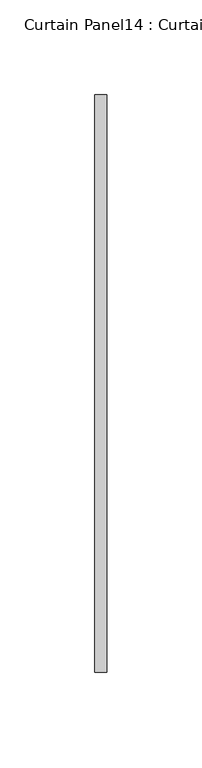
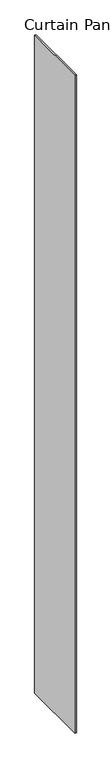
"""IFC4 building model written with IfcOpenShell, lengths in millimetres: plate geometry, Curtain Panel14 : Curtain Panel."""

from ifc_helpers import new_model, si_unit, origin, origin_with_axes, place, context, project, spatial, polyline, outline, extrude, source, transform, mapped, element, save


def curtain_panel14_curtain_panel_48f860df(model_context):
    return source(origin(), model_context, "Body", "SweptSolid", [
        extrude(outline(polyline([(192341.433589, 2017.2357423), (192341.433589, 2322.0357423), (192347.783589, 2322.0357423), (192347.783589, 2017.2357423), (192341.433589, 2017.2357423)])), origin_with_axes(), (0.0, 0.0, 1.0), 3048.0),
    ])


if __name__ == "__main__":
    model = new_model("IFC4")
    model_context = context("Model", 3, world=origin())
    ifc_project = project(units=[si_unit("LENGTHUNIT", "METRE", prefix="MILLI")], contexts=[model_context])
    site = spatial("IfcSite", under=ifc_project)
    building = spatial("IfcBuilding", under=site)
    placement = place(None, origin())
    curtain_panel14_curtain_panel_shape = curtain_panel14_curtain_panel_48f860df(model_context)
    element("IfcPlate", 1, ObjectType="Curtain Panel14 : Curtain Panel", at=placement, inside=building, context=model_context, shape_type="MappedRepresentation", body=[
        mapped(curtain_panel14_curtain_panel_shape, transform((0.0, 0.0, 0.0), x_axis=(1.0, 0.0, 0.0), y_axis=(0.0, 1.0, 0.0), z_axis=(0.0, 0.0, 1.0))),
    ])
    save(model, "model.ifc")
